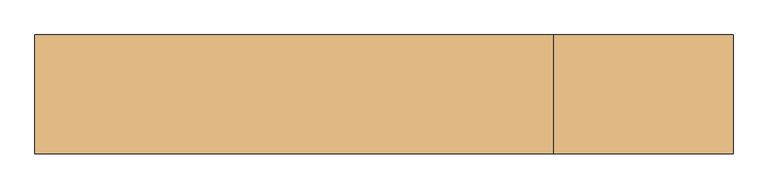
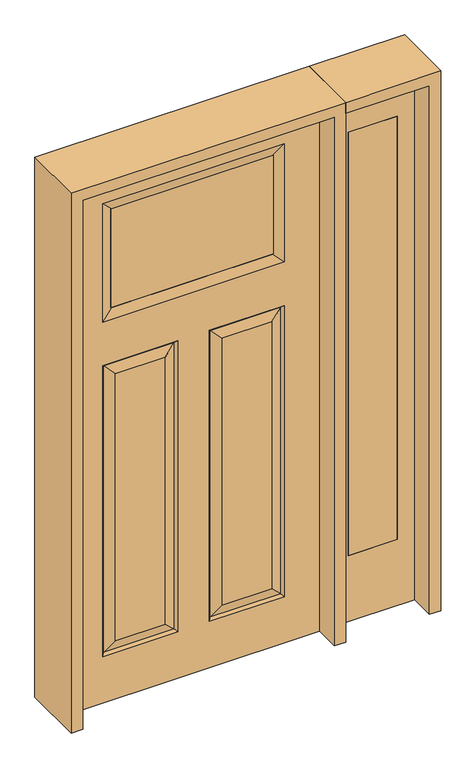
"""IFC4 building model written with IfcOpenShell, lengths in millimetres: door geometry."""

from ifc_helpers import new_model, si_unit, frame, origin, place, context, project, spatial, polyline, outline, extrude, faceted_brep, source, transform, mapped, element, save


def door_e4dfc096(model_context):
    return source(origin(), model_context, "Body", "SolidModel", [
        extrude(outline(polyline([(561.975, -20.6375), (561.975, 20.6375), (739.775, 20.6375), (739.775, -20.6375), (561.975, -20.6375)])), frame((0.0, 0.0, 254.0), z_axis=(0.0, 0.0, 1.0), x_axis=(1.0, 0.0, 0.0)), (0.0, 0.0, 1.0), 1625.6),
        extrude(outline(polyline([(0.0, 803.275), (2032.0, 803.275), (2032.0, 498.475), (0.0, 498.475), (0.0, 803.275)]), holes=[polyline([(1879.6, 561.975), (1879.6, 739.775), (254.0, 739.775), (254.0, 561.975), (1879.6, 561.975)])]), frame((0.0, -20.6375, 0.0), z_axis=(0.0, 1.0, 0.0), x_axis=(0.0, 0.0, 1.0)), (0.0, 0.0, 1.0), 41.275),
        faceted_brep([(-457.2, -20.6375, 2032.0), (-457.2, 20.6375, 2032.0), (-457.2, 20.6375, 0.0), (-457.2, -20.6375, 0.0), (284.2895, 20.6375, 1249.4895), (284.2895, 20.6375, 223.7105), (103.0605, 20.6375, 223.7105), (103.0605, 20.6375, 1249.4895), (-284.2895, 20.6375, 223.7105), (-284.2895, 20.6375, 1249.4895), (-103.0605, 20.6375, 1249.4895), (-103.0605, 20.6375, 223.7105), (457.2, 20.6375, 2032.0), (457.2, 20.6375, 0.0), (330.327, 20.6375, 177.673), (330.327, 20.6375, 1295.527), (57.023, 20.6375, 1295.527), (57.023, 20.6375, 177.673), (-330.3984375, 20.6375, 1463.5757812), (330.3984375, 20.6375, 1463.5757812), (330.3984375, 20.6375, 1917.8984375), (-330.3984375, 20.6375, 1917.8984375), (-330.327, 20.6375, 1295.527), (-330.327, 20.6375, 177.673), (-57.023, 20.6375, 177.673), (-57.023, 20.6375, 1295.527), (-321.3467439, 11.6572439, 1286.5467439), (-321.3467439, 11.6572439, 186.6532561), (-66.0032561, 11.6572439, 186.6532561), (66.0032561, -11.6572439, 186.6532561), (103.0605, -20.6375, 223.7105), (103.0605, -20.6375, 1249.4895), (66.0032561, -11.6572439, 1286.5467439), (-103.0605, -20.6375, 223.7105), (-66.0032561, -11.6572439, 186.6532561), (-66.0032561, -11.6572439, 1286.5467439), (-103.0605, -20.6375, 1249.4895), (-321.3467439, -11.6572439, 186.6532561), (-330.327, -20.6375, 177.673), (-57.023, -20.6375, 177.673), (-330.3984375, -20.6375, 1463.5757812), (-293.3411936, -11.6572439, 1500.6330251), (-296.5161936, -12.4266566, 1500.584375), (-296.5161936, -12.4266566, 1880.8898438), (-293.3411936, -11.6572439, 1880.8898438), (-330.3984375, -20.6375, 1917.8984375), (293.3411936, -11.6572439, 1500.6330251), (330.3984375, -20.6375, 1463.5757812), (330.3984375, -20.6375, 1917.8984375), (293.3411936, -11.6572439, 1880.8411936), (296.5161936, -12.4266566, 1880.8898438), (296.5161936, -12.4266566, 1500.584375), (321.3467439, -11.6572439, 1286.5467439), (330.327, -20.6375, 1295.527), (57.023, -20.6375, 1295.527), (296.5161936, 12.4266566, 1880.8898438), (-296.5161936, 12.4266566, 1880.8898438), (-293.3411936, 11.6572439, 1880.8898438), (293.3411936, 11.6690335, 1880.8898438), (457.2, -20.6375, 0.0), (457.2, -20.6375, 2032.0), (284.2895, -20.6375, 223.7105), (284.2895, -20.6375, 1249.4895), (-284.2895, -20.6375, 1249.4895), (-284.2895, -20.6375, 223.7105), (-330.327, -20.6375, 1295.527), (-57.023, -20.6375, 1295.527), (330.327, -20.6375, 177.673), (57.023, -20.6375, 177.673), (321.3467439, 11.6572439, 186.6532561), (66.0032561, 11.6572439, 186.6532561), (321.3467439, -11.6572439, 186.6532561), (-321.3467439, -11.6572439, 1286.5467439), (293.3411936, 11.6572439, 1500.6330251), (296.5161936, 12.4266566, 1500.584375), (321.3467439, 11.6572439, 1286.5467439), (66.0032561, 11.6572439, 1286.5467439), (-66.0032561, 11.6572439, 1286.5467439), (-293.3411936, 11.6572439, 1500.6330251), (-296.5161936, 12.4266566, 1500.584375)], [[[0, 1, 2, 3]], [[4, 5, 6, 7]], [[8, 9, 10, 11]], [[1, 12, 13, 2], [14, 15, 16, 17], [18, 19, 20, 21], [22, 23, 24, 25]], [[26, 27, 23, 22]], [[27, 26, 9, 8]], [[27, 8, 11, 28]], [[29, 30, 31, 32]], [[33, 34, 35, 36]], [[37, 38, 39, 34]], [[40, 41, 42, 43, 44, 45]], [[46, 47, 48, 49, 50, 51]], [[52, 53, 54, 32]], [[55, 50, 49, 44, 43, 56, 57, 58]], [[47, 46, 41, 40]], [[13, 59, 3, 2]], [[12, 60, 59, 13]], [[61, 62, 31, 30]], [[63, 64, 33, 36]], [[60, 0, 3, 59], [38, 65, 66, 39], [47, 40, 45, 48], [53, 67, 68, 54]], [[12, 1, 0, 60]], [[69, 14, 17, 70]], [[71, 61, 30, 29]], [[68, 29, 32, 54]], [[37, 72, 65, 38]], [[19, 73, 74, 55, 58, 20]], [[14, 69, 75, 15]], [[70, 17, 16, 76]], [[75, 69, 5, 4]], [[5, 69, 70, 6]], [[6, 70, 76, 7]], [[23, 27, 28, 24]], [[24, 28, 77, 25]], [[28, 11, 10, 77]], [[61, 71, 52, 62]], [[52, 71, 67, 53]], [[67, 71, 29, 68]], [[72, 37, 64, 63]], [[64, 37, 34, 33]], [[34, 39, 66, 35]], [[20, 58, 57, 21]], [[78, 18, 21, 57, 56, 79]], [[49, 48, 45, 44]], [[62, 52, 32, 31]], [[15, 75, 76, 16]], [[75, 4, 7, 76]], [[56, 43, 42, 79]], [[79, 42, 41, 46, 51, 74, 73, 78]], [[50, 55, 74, 51]], [[73, 19, 18, 78]], [[72, 63, 36, 35]], [[65, 72, 35, 66]], [[26, 22, 25, 77]], [[9, 26, 77, 10]]]),
        extrude(outline(polyline([(296.5161936, -11.6572439), (-296.5161936, -11.6572439), (-296.5161936, 11.6572439), (296.5161936, 11.6572439), (296.5161936, -11.6572439)])), frame((0.0, 0.0, 1500.584375), z_axis=(0.0, 0.0, 1.0), x_axis=(1.0, 0.0, 0.0)), (0.0, 0.0, 1.0), 380.3054688),
        extrude(outline(polyline([(2073.275, -498.475), (0.0, -498.475), (0.0, -457.2), (2032.0, -457.2), (2032.0, 457.2), (0.0, 457.2), (0.0, 498.475), (2073.275, 498.475), (2073.275, -498.475)])), frame((0.0, -114.3, 0.0), z_axis=(0.0, 1.0, 0.0), x_axis=(0.0, 0.0, 1.0)), (0.0, 0.0, 1.0), 228.6),
        extrude(outline(polyline([(0.0, 803.275), (0.0, 844.55), (2073.275, 844.55), (2073.275, 498.475), (2032.0, 498.475), (2032.0, 803.275), (0.0, 803.275)])), frame((0.0, -114.3, 0.0), z_axis=(0.0, 1.0, 0.0), x_axis=(0.0, 0.0, 1.0)), (0.0, 0.0, 1.0), 228.6),
    ])


if __name__ == "__main__":
    model = new_model("IFC4")
    model_context = context("Model", 3, world=origin())
    ifc_project = project(units=[si_unit("LENGTHUNIT", "METRE", prefix="MILLI")], contexts=[model_context])
    site = spatial("IfcSite", under=ifc_project)
    building = spatial("IfcBuilding", under=site)
    placement = place(None, origin())
    door_shape = door_e4dfc096(model_context)
    element("IfcDoor", 1, at=placement, inside=building, context=model_context, shape_type="MappedRepresentation", body=[
        mapped(door_shape, transform((0.0, 0.0, 0.0), x_axis=(1.0, 0.0, 0.0), y_axis=(0.0, 1.0, 0.0), z_axis=(0.0, 0.0, 1.0))),
    ])
    save(model, "model.ifc")
